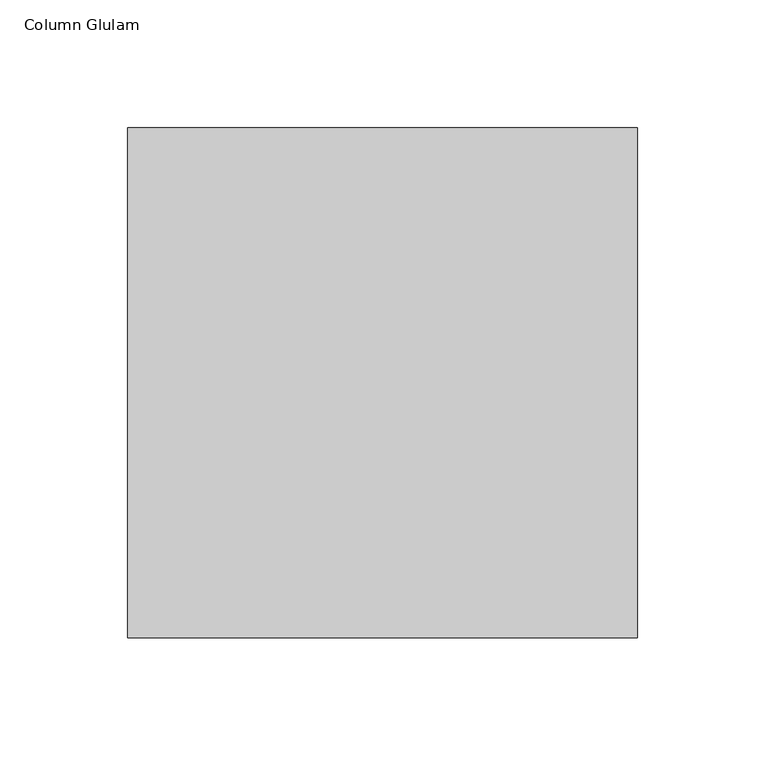
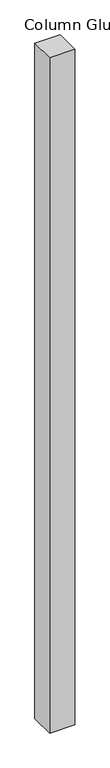
"""IFC4 building model written with IfcOpenShell, lengths in millimetres: column geometry, Column Glulam."""

from ifc_helpers import new_model, si_unit, origin, origin_with_axes, place, context, project, spatial, polyline, outline, extrude, source, transform, mapped, element, save


def column_glulam_49291631(model_context):
    return source(origin(), model_context, "Body", "SweptSolid", [
        extrude(outline(polyline([(100.0, 100.0), (100.0, -100.0), (-100.0, -100.0), (-100.0, 100.0), (100.0, 100.0)])), origin_with_axes(), (0.0, 0.0, 1.0), 5638.0),
    ])


if __name__ == "__main__":
    model = new_model("IFC4")
    model_context = context("Model", 3, world=origin())
    ifc_project = project(units=[si_unit("LENGTHUNIT", "METRE", prefix="MILLI")], contexts=[model_context])
    site = spatial("IfcSite", under=ifc_project)
    building = spatial("IfcBuilding", under=site)
    placement = place(None, origin())
    column_glulam_shape = column_glulam_49291631(model_context)
    element("IfcColumn", 1, ObjectType="Column Glulam", at=placement, inside=building, context=model_context, shape_type="MappedRepresentation", body=[
        mapped(column_glulam_shape, transform((0.0, 0.0, 0.0), x_axis=(1.0, 0.0, 0.0), y_axis=(0.0, 1.0, 0.0), z_axis=(0.0, 0.0, 1.0))),
    ])
    save(model, "model.ifc")
